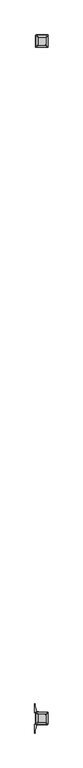
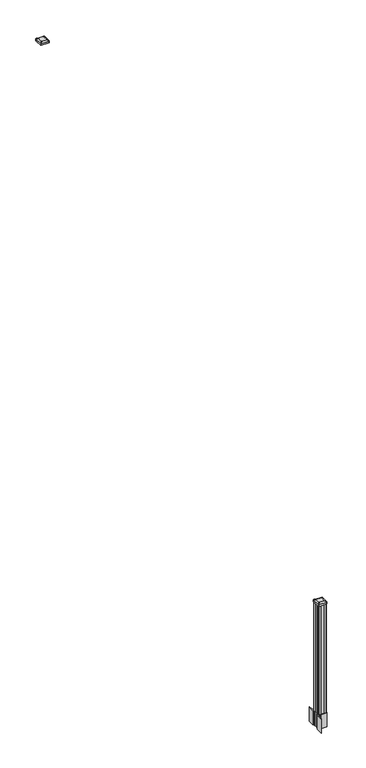
"""IFC4 building model written with IfcOpenShell, lengths in millimetres: railing geometry."""

from ifc_helpers import new_model, si_unit, point, frame, frame_2d, origin, place, context, project, spatial, polyline, circle_curve, trimmed, segment, composite_curve, outline, extrude, source, transform, mapped, element, save
from ifc_brep_helpers import plane_surface, extruded_surface, advanced_brep


def railing_e8de1ad3(model_context):
    return source(origin(), model_context, "Body", "SolidModel", [
        advanced_brep(
        [(11049.0407728, -82569.2327203, 4476.715513), (11100.6345228, -82569.2327203, 4476.715513), (11103.8095228, -82566.0577203, 4476.715513), (11103.8095228, -82514.4639703, 4476.715513), (11100.6345228, -82511.2889703, 4476.715513), (11049.0407728, -82511.2889703, 4476.715513), (11045.8657728, -82514.4639703, 4476.715513), (11045.8657728, -82566.0577203, 4476.715513), (11032.7688978, -82585.5045953, 4465.412513), (11029.5938978, -82582.3295953, 4465.412513), (11029.5938978, -82498.1920953, 4465.412513), (11032.7688978, -82495.0170953, 4465.412513), (11116.9063978, -82495.0170953, 4465.412513), (11120.0813978, -82498.1920953, 4465.412513), (11120.0813978, -82582.3295953, 4465.412513), (11116.9063978, -82585.5045953, 4465.412513)],
        [
            (0, 1),
            (1, 2, circle_curve(frame((11100.6345228, -82566.0577203, 4476.715513), z_axis=(0.0, 0.0, 1.0), x_axis=(0.0, 1.0, 0.0)), 3.175)),
            (2, 3),
            (3, 4, circle_curve(frame((11100.6345228, -82514.4639703, 4476.715513), z_axis=(0.0, 0.0, 1.0), x_axis=(0.0, 1.0, 0.0)), 3.175)),
            (4, 5),
            (5, 6, circle_curve(frame((11049.0407728, -82514.4639703, 4476.715513), z_axis=(0.0, 0.0, 1.0), x_axis=(0.0, 1.0, 0.0)), 3.175)),
            (6, 7),
            (7, 0, circle_curve(frame((11049.0407728, -82566.0577203, 4476.715513), z_axis=(0.0, 0.0, 1.0), x_axis=(0.0, 1.0, 0.0)), 3.175)),
            (8, 9, circle_curve(frame((11032.7688978, -82582.3295953, 4465.412513), z_axis=(0.0, 0.0, -1.0), x_axis=(0.0, 1.0, 0.0)), 3.175)),
            (9, 10),
            (10, 11, circle_curve(frame((11032.7688978, -82498.1920953, 4465.412513), z_axis=(0.0, 0.0, -1.0), x_axis=(0.0, 1.0, 0.0)), 3.175)),
            (11, 12),
            (12, 13, circle_curve(frame((11116.9063978, -82498.1920953, 4465.412513), z_axis=(0.0, 0.0, -1.0), x_axis=(0.0, 1.0, 0.0)), 3.175)),
            (13, 14),
            (14, 15, circle_curve(frame((11116.9063978, -82582.3295953, 4465.412513), z_axis=(0.0, 0.0, -1.0), x_axis=(0.0, 1.0, 0.0)), 3.175)),
            (15, 8),
            (8, 0),
            (7, 9),
            (6, 10),
            (5, 11),
            (4, 12),
            (3, 13),
            (2, 14),
            (1, 15),
        ],
        [
            plane_surface(frame((11074.8376478, -82540.2608453, 4476.715513), z_axis=(0.0, 0.0, 1.0), x_axis=(-1.0, 0.0, 0.0))),
            plane_surface(frame((11074.8376478, -82540.2608453, 4465.412513), z_axis=(0.0, 0.0, -1.0), x_axis=(-1.0, 0.0, 0.0))),
            extruded_surface(trimmed(circle_curve(frame((11049.0407728, -82566.0577203, 4476.715513), z_axis=(0.0, 0.0, -1.0), x_axis=(0.0, 1.0, 0.0)), 3.175), [point((11049.0407728, -82569.2327203, 4476.715513))], [point((11045.8657728, -82566.0577203, 4476.715513))], True, "CARTESIAN"), (-16.271874999998545, -16.27187500000582, -11.302999999999884), 25.63797263886888),
            plane_surface(frame((11029.5938978, -82540.2608453, 4465.412513), z_axis=(-0.5705009161540685, 0.0, 0.8212969649690474), x_axis=(0.0, 1.0, 0.0))),
            extruded_surface(trimmed(circle_curve(frame((11049.0407728, -82514.4639703, 4476.715513), z_axis=(0.0, 0.0, -1.0), x_axis=(0.0, 1.0, 0.0)), 3.175), [point((11045.8657728, -82514.4639703, 4476.715513))], [point((11049.0407728, -82511.2889703, 4476.715513))], True, "CARTESIAN"), (-16.271874999998545, 16.27187500000582, -11.302999999999884), 25.63797263886888),
            plane_surface(frame((11074.8376478, -82495.0170953, 4465.412513), z_axis=(0.0, 0.5705009161540291, 0.8212969649690747), x_axis=(1.0, 0.0, 0.0))),
            extruded_surface(trimmed(circle_curve(frame((11100.6345228, -82514.4639703, 4476.715513), z_axis=(0.0, 0.0, -1.0), x_axis=(0.0, 1.0, 0.0)), 3.175), [point((11100.6345228, -82511.2889703, 4476.715513))], [point((11103.8095228, -82514.4639703, 4476.715513))], True, "CARTESIAN"), (16.271875000000364, 16.27187500000582, -11.302999999999884), 25.637972638870036),
            plane_surface(frame((11120.0813978, -82540.2608453, 4465.412513), z_axis=(0.5705009161540235, 0.0, 0.8212969649690786), x_axis=(0.0, -1.0, 0.0))),
            extruded_surface(trimmed(circle_curve(frame((11100.6345228, -82566.0577203, 4476.715513), z_axis=(0.0, 0.0, -1.0), x_axis=(0.0, 1.0, 0.0)), 3.175), [point((11103.8095228, -82566.0577203, 4476.715513))], [point((11100.6345228, -82569.2327203, 4476.715513))], True, "CARTESIAN"), (16.271875000000364, -16.27187500000582, -11.302999999999884), 25.637972638870036),
            plane_surface(frame((11074.8376478, -82585.5045953, 4465.412513), z_axis=(0.0, -0.570500916154034, 0.8212969649690713), x_axis=(-1.0, 0.0, 0.0))),
        ],
        [
            (0, [[1, 2, 3, 4, 5, 6, 7, 8]]),
            (1, [[9, 10, 11, 12, 13, 14, 15, 16]]),
            (2, [[17, -8, 18, -9]]),
            (3, [[-18, -7, 19, -10]]),
            (4, [[-19, -6, 20, -11]]),
            (5, [[-20, -5, 21, -12]]),
            (6, [[-21, -4, 22, -13]]),
            (7, [[-22, -3, 23, -14]]),
            (8, [[-23, -2, 24, -15]]),
            (9, [[-24, -1, -17, -16]]),
        ],
    ),
        extrude(outline(composite_curve([segment(trimmed(circle_curve(frame_2d((11032.7688978, -82582.3295953)), 3.175), [point((11032.7688978, -82585.5045953))], [point((11029.5938978, -82582.3295953))], False, "CARTESIAN"), True, "CONTINUOUS"), segment(polyline([(11029.5938978, -82582.3295953), (11029.5938978, -82498.1920953)]), True, "CONTINUOUS"), segment(trimmed(circle_curve(frame_2d((11032.7688978, -82498.1920953)), 3.175), [point((11029.5938978, -82498.1920953))], [point((11032.7688978, -82495.0170953))], False, "CARTESIAN"), True, "CONTINUOUS"), segment(polyline([(11032.7688978, -82495.0170953), (11116.9063978, -82495.0170953)]), True, "CONTINUOUS"), segment(trimmed(circle_curve(frame_2d((11116.9063978, -82498.1920953)), 3.175), [point((11116.9063978, -82495.0170953))], [point((11120.0813978, -82498.1920953))], False, "CARTESIAN"), True, "CONTINUOUS"), segment(polyline([(11120.0813978, -82498.1920953), (11120.0813978, -82582.3295953)]), True, "CONTINUOUS"), segment(trimmed(circle_curve(frame_2d((11116.9063978, -82582.3295953)), 3.175), [point((11120.0813978, -82582.3295953))], [point((11116.9063978, -82585.5045953))], False, "CARTESIAN"), True, "CONTINUOUS"), segment(polyline([(11116.9063978, -82585.5045953), (11032.7688978, -82585.5045953)]), True, "CONTINUOUS")], self_intersect=False)), frame((0.0, 0.0, 4448.140513), z_axis=(0.0, 0.0, 1.0), x_axis=(1.0, 0.0, 0.0)), (0.0, 0.0, 1.0), 17.272),
        extrude(outline(composite_curve([segment(polyline([(11117.5731478, -87517.2509401), (11119.1606478, -87518.0129401), (11119.1606478, -87540.8148682), (11115.7876707, -87544.1878453), (11054.3279999, -87544.1878453), (11054.3279999, -87545.1085953), (11049.0104561, -87545.1085953), (11049.0104561, -87546.56285), (11043.9259264, -87546.56285), (11043.9259264, -87547.8468738), (11042.2586541, -87547.8468738)]), True, "CONTINUOUS"), segment(trimmed(circle_curve(frame_2d((11042.2586541, -87554.9063337)), 7.0594599), [point((11042.2586541, -87547.8468738))], [point((11035.4913912, -87552.896327))], True, "CARTESIAN"), True, "CONTINUOUS"), segment(polyline([(11035.4913912, -87552.896327), (11027.6171969, -87579.4070561)]), True, "CONTINUOUS"), segment(trimmed(circle_curve(frame_2d((11082.4017103, -87595.6791057)), 57.15), [point((11027.6171969, -87579.4070561))], [point((11025.2517103, -87595.6791057))], True, "CARTESIAN"), True, "CONTINUOUS"), segment(polyline([(11025.2517103, -87595.6791057), (11025.2517103, -87607.6878453), (11022.2517103, -87607.6878453), (11022.2517103, -87542.6003453), (11030.5146478, -87531.262054), (11030.5146478, -87518.0129401), (11032.1021478, -87517.2509401), (11032.1021478, -87482.4787504), (11030.5146478, -87481.7167504), (11030.5146478, -87468.4676366), (11022.2517103, -87457.1293453), (11022.2517103, -87392.0418453), (11025.2517103, -87392.0418453), (11025.2517103, -87404.0505848)]), True, "CONTINUOUS"), segment(trimmed(circle_curve(frame_2d((11082.4017103, -87404.0505848)), 57.15), [point((11025.2517103, -87404.0505848))], [point((11027.6171969, -87420.3226345))], True, "CARTESIAN"), True, "CONTINUOUS"), segment(polyline([(11027.6171969, -87420.3226345), (11035.4913912, -87446.8333636)]), True, "CONTINUOUS"), segment(trimmed(circle_curve(frame_2d((11042.2586541, -87444.8233569)), 7.0594599), [point((11035.4913912, -87446.8333636))], [point((11042.2586541, -87451.8828168))], True, "CARTESIAN"), True, "CONTINUOUS"), segment(polyline([(11042.2586541, -87451.8828168), (11043.9259264, -87451.8828168), (11043.9259264, -87453.1668406), (11049.0104561, -87453.1668406), (11049.0104561, -87454.6210953), (11054.3279999, -87454.6210953), (11054.3279999, -87455.5418453), (11115.7876707, -87455.5418453), (11119.1606478, -87458.9148224), (11119.1606478, -87481.7167504), (11117.5731478, -87482.4787504), (11117.5731478, -87517.2509401)]), True, "CONTINUOUS")], self_intersect=False), holes=[polyline([(11033.5626478, -87460.1773453), (11033.5626478, -87539.5523453), (11035.1501478, -87541.1398453), (11072.0744304, -87541.1398453), (11114.5251478, -87541.1398453), (11116.1126478, -87539.5523453), (11116.1126478, -87460.1773453), (11114.5251478, -87458.5898453), (11072.0744304, -87458.5898453), (11035.1501478, -87458.5898453), (11033.5626478, -87460.1773453)])]), frame((0.0, 0.0, 12.22375), z_axis=(0.0, 0.0, 1.0), x_axis=(1.0, 0.0, 0.0)), (0.0, 0.0, 1.0), 152.4),
        advanced_brep(
        [(11049.0407728, -87528.8367203, 1376.963013), (11100.6345228, -87528.8367203, 1376.963013), (11103.8095228, -87525.6617203, 1376.963013), (11103.8095228, -87474.0679703, 1376.963013), (11100.6345228, -87470.8929703, 1376.963013), (11049.0407728, -87470.8929703, 1376.963013), (11045.8657728, -87474.0679703, 1376.963013), (11045.8657728, -87525.6617203, 1376.963013), (11032.7688978, -87545.1085953, 1365.660013), (11029.5938978, -87541.9335953, 1365.660013), (11029.5938978, -87457.7960953, 1365.660013), (11032.7688978, -87454.6210953, 1365.660013), (11116.9063978, -87454.6210953, 1365.660013), (11120.0813978, -87457.7960953, 1365.660013), (11120.0813978, -87541.9335953, 1365.660013), (11116.9063978, -87545.1085953, 1365.660013)],
        [
            (0, 1),
            (1, 2, circle_curve(frame((11100.6345228, -87525.6617203, 1376.963013), z_axis=(0.0, 0.0, 1.0), x_axis=(0.0, 1.0, 0.0)), 3.175)),
            (2, 3),
            (3, 4, circle_curve(frame((11100.6345228, -87474.0679703, 1376.963013), z_axis=(0.0, 0.0, 1.0), x_axis=(0.0, 1.0, 0.0)), 3.175)),
            (4, 5),
            (5, 6, circle_curve(frame((11049.0407728, -87474.0679703, 1376.963013), z_axis=(0.0, 0.0, 1.0), x_axis=(0.0, 1.0, 0.0)), 3.175)),
            (6, 7),
            (7, 0, circle_curve(frame((11049.0407728, -87525.6617203, 1376.963013), z_axis=(0.0, 0.0, 1.0), x_axis=(0.0, 1.0, 0.0)), 3.175)),
            (8, 9, circle_curve(frame((11032.7688978, -87541.9335953, 1365.660013), z_axis=(0.0, 0.0, -1.0), x_axis=(0.0, 1.0, 0.0)), 3.175)),
            (9, 10),
            (10, 11, circle_curve(frame((11032.7688978, -87457.7960953, 1365.660013), z_axis=(0.0, 0.0, -1.0), x_axis=(0.0, 1.0, 0.0)), 3.175)),
            (11, 12),
            (12, 13, circle_curve(frame((11116.9063978, -87457.7960953, 1365.660013), z_axis=(0.0, 0.0, -1.0), x_axis=(0.0, 1.0, 0.0)), 3.175)),
            (13, 14),
            (14, 15, circle_curve(frame((11116.9063978, -87541.9335953, 1365.660013), z_axis=(0.0, 0.0, -1.0), x_axis=(0.0, 1.0, 0.0)), 3.175)),
            (15, 8),
            (8, 0),
            (7, 9),
            (6, 10),
            (5, 11),
            (4, 12),
            (3, 13),
            (2, 14),
            (1, 15),
        ],
        [
            plane_surface(frame((11074.8376478, -87499.8648453, 1376.963013), z_axis=(0.0, 0.0, 1.0), x_axis=(-1.0, 0.0, 0.0))),
            plane_surface(frame((11074.8376478, -87499.8648453, 1365.660013), z_axis=(0.0, 0.0, -1.0), x_axis=(-1.0, 0.0, 0.0))),
            extruded_surface(trimmed(circle_curve(frame((11049.0407728, -87525.6617203, 1376.963013), z_axis=(0.0, 0.0, -1.0), x_axis=(0.0, 1.0, 0.0)), 3.175), [point((11049.0407728, -87528.8367203, 1376.963013))], [point((11045.8657728, -87525.6617203, 1376.963013))], True, "CARTESIAN"), (-16.271874999998545, -16.27187499999127, -11.303000000000111), 25.637972638859747),
            plane_surface(frame((11029.5938978, -87499.8648453, 1365.660013), z_axis=(-0.5705009161540778, 0.0, 0.8212969649690408), x_axis=(0.0, 1.0, 0.0))),
            extruded_surface(trimmed(circle_curve(frame((11049.0407728, -87474.0679703, 1376.963013), z_axis=(0.0, 0.0, -1.0), x_axis=(0.0, 1.0, 0.0)), 3.175), [point((11045.8657728, -87474.0679703, 1376.963013))], [point((11049.0407728, -87470.8929703, 1376.963013))], True, "CARTESIAN"), (-16.271874999998545, 16.27187500000582, -11.303000000000111), 25.63797263886898),
            plane_surface(frame((11074.8376478, -87454.6210953, 1365.660013), z_axis=(0.0, 0.5705009161540291, 0.8212969649690747), x_axis=(1.0, 0.0, 0.0))),
            extruded_surface(trimmed(circle_curve(frame((11100.6345228, -87474.0679703, 1376.963013), z_axis=(0.0, 0.0, -1.0), x_axis=(0.0, 1.0, 0.0)), 3.175), [point((11100.6345228, -87470.8929703, 1376.963013))], [point((11103.8095228, -87474.0679703, 1376.963013))], True, "CARTESIAN"), (16.271875000000364, 16.27187500000582, -11.303000000000111), 25.63797263887014),
            plane_surface(frame((11120.0813978, -87499.8648453, 1365.660013), z_axis=(0.5705009161540142, 0.0, 0.8212969649690851), x_axis=(0.0, -1.0, 0.0))),
            extruded_surface(trimmed(circle_curve(frame((11100.6345228, -87525.6617203, 1376.963013), z_axis=(0.0, 0.0, -1.0), x_axis=(0.0, 1.0, 0.0)), 3.175), [point((11103.8095228, -87525.6617203, 1376.963013))], [point((11100.6345228, -87528.8367203, 1376.963013))], True, "CARTESIAN"), (16.271875000000364, -16.27187499999127, -11.303000000000111), 25.6379726388609),
            plane_surface(frame((11074.8376478, -87545.1085953, 1365.660013), z_axis=(0.0, -0.570500916154034, 0.8212969649690713), x_axis=(-1.0, 0.0, 0.0))),
        ],
        [
            (0, [[1, 2, 3, 4, 5, 6, 7, 8]]),
            (1, [[9, 10, 11, 12, 13, 14, 15, 16]]),
            (2, [[17, -8, 18, -9]]),
            (3, [[-18, -7, 19, -10]]),
            (4, [[-19, -6, 20, -11]]),
            (5, [[-20, -5, 21, -12]]),
            (6, [[-21, -4, 22, -13]]),
            (7, [[-22, -3, 23, -14]]),
            (8, [[-23, -2, 24, -15]]),
            (9, [[-24, -1, -17, -16]]),
        ],
    ),
        extrude(outline(composite_curve([segment(trimmed(circle_curve(frame_2d((11032.7688978, -87541.9335953)), 3.175), [point((11032.7688978, -87545.1085953))], [point((11029.5938978, -87541.9335953))], False, "CARTESIAN"), True, "CONTINUOUS"), segment(polyline([(11029.5938978, -87541.9335953), (11029.5938978, -87457.7960953)]), True, "CONTINUOUS"), segment(trimmed(circle_curve(frame_2d((11032.7688978, -87457.7960953)), 3.175), [point((11029.5938978, -87457.7960953))], [point((11032.7688978, -87454.6210953))], False, "CARTESIAN"), True, "CONTINUOUS"), segment(polyline([(11032.7688978, -87454.6210953), (11116.9063978, -87454.6210953)]), True, "CONTINUOUS"), segment(trimmed(circle_curve(frame_2d((11116.9063978, -87457.7960953)), 3.175), [point((11116.9063978, -87454.6210953))], [point((11120.0813978, -87457.7960953))], False, "CARTESIAN"), True, "CONTINUOUS"), segment(polyline([(11120.0813978, -87457.7960953), (11120.0813978, -87541.9335953)]), True, "CONTINUOUS"), segment(trimmed(circle_curve(frame_2d((11116.9063978, -87541.9335953)), 3.175), [point((11120.0813978, -87541.9335953))], [point((11116.9063978, -87545.1085953))], False, "CARTESIAN"), True, "CONTINUOUS"), segment(polyline([(11116.9063978, -87545.1085953), (11032.7688978, -87545.1085953)]), True, "CONTINUOUS")], self_intersect=False)), frame((0.0, 0.0, 1348.388013), z_axis=(0.0, 0.0, 1.0), x_axis=(1.0, 0.0, 0.0)), (0.0, 0.0, 1.0), 17.272),
        extrude(outline(polyline([(11035.1501478, -87541.1398453), (11033.5626478, -87539.5523453), (11033.5626478, -87519.9308453), (11035.1501478, -87519.1688453), (11035.1501478, -87480.5608453), (11033.5626478, -87479.7988453), (11033.5626478, -87460.1773453), (11035.1501478, -87458.5898453), (11054.7716478, -87458.5898453), (11055.5336478, -87460.1773453), (11094.1416478, -87460.1773453), (11094.9036478, -87458.5898453), (11114.5251478, -87458.5898453), (11116.1126478, -87460.1773453), (11116.1126478, -87479.7988453), (11114.5251478, -87480.5608453), (11114.5251478, -87519.1688453), (11116.1126478, -87519.9308453), (11116.1126478, -87539.5523453), (11114.5251478, -87541.1398453), (11094.9036478, -87541.1398453), (11094.1416478, -87539.5523453), (11055.5336478, -87539.5523453), (11054.7716478, -87541.1398453), (11035.1501478, -87541.1398453)])), frame((0.0, 0.0, 164.62375), z_axis=(0.0, 0.0, 1.0), x_axis=(1.0, 0.0, 0.0)), (0.0, 0.0, 1.0), 1183.764263),
    ])


if __name__ == "__main__":
    model = new_model("IFC4")
    model_context = context("Model", 3, world=origin())
    ifc_project = project(units=[si_unit("LENGTHUNIT", "METRE", prefix="MILLI")], contexts=[model_context])
    site = spatial("IfcSite", under=ifc_project)
    building = spatial("IfcBuilding", under=site)
    placement = place(None, origin())
    railing_shape = railing_e8de1ad3(model_context)
    element("IfcRailing", 1, at=placement, inside=building, context=model_context, shape_type="MappedRepresentation", body=[
        mapped(railing_shape, transform((0.0, 0.0, 0.0), x_axis=(1.0, 0.0, 0.0), y_axis=(0.0, 1.0, 0.0), z_axis=(0.0, 0.0, 1.0))),
    ])
    save(model, "model.ifc")
